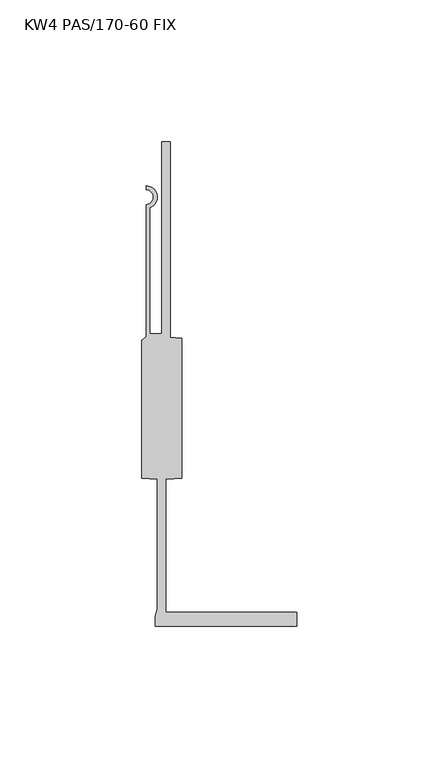
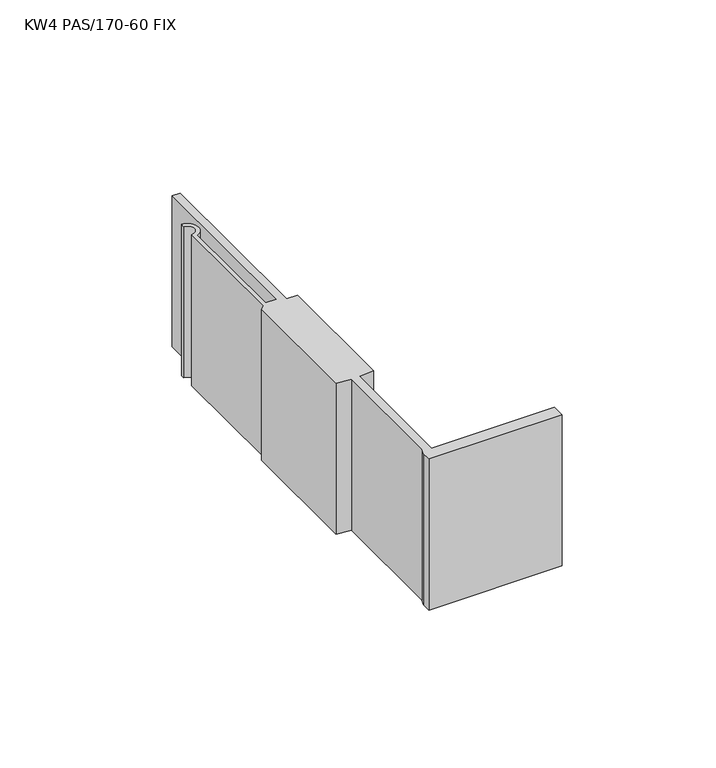
"""IFC4 building model written with IfcOpenShell, lengths in millimetres: proxy geometry, KW4 PAS/170-60 FIX."""

from ifc_helpers import new_model, si_unit, point, frame, frame_2d, origin, place, context, project, spatial, polyline, circle_curve, trimmed, segment, composite_curve, outline, extrude, source, transform, mapped, element, save


def kw4_pas_170_60_fix_f1b11f9d(model_context):
    return source(origin(), model_context, "Body", "SweptSolid", [
        extrude(outline(composite_curve([segment(polyline([(3.0, -48.0081991), (7.0334495, -48.3114757), (7.0334495, -97.689511), (1.5, -98.1055731), (1.5, -145.0000056), (47.75, -145.0000056), (47.75, -150.0), (-2.2499897, -150.0), (-2.25, -146.5000056), (-1.5, -144.0001254), (-1.5, -98.1055731), (-7.0334495, -97.689511), (-7.0334495, -49.1412371), (-5.5099585, -47.8628764), (-5.5099585, -1.1822471)]), True, "CONTINUOUS"), segment(trimmed(circle_curve(frame_2d((-5.5099585, 1.4180892)), 2.6003364), [point((-5.5099585, -1.1822471))], [point((-5.5099585, 4.0184256))], True, "CARTESIAN"), True, "CONTINUOUS"), segment(polyline([(-5.5099585, 4.0184256), (-5.5099585, 5.416057)]), True, "CONTINUOUS"), segment(trimmed(circle_curve(frame_2d((-5.5069152, 1.4180892)), 3.9979689), [point((-5.5099585, 5.416057))], [point((-4.1099585, -2.3278775))], False, "CARTESIAN"), True, "CONTINUOUS"), segment(polyline([(-4.1099585, -2.3278775), (-4.1099585, -46.8000056), (0.0, -46.8000056), (0.0, 21.0), (3.0, 21.0), (3.0, -48.0081991)]), True, "CONTINUOUS")], self_intersect=False)), frame((0.0, 0.0, -30.0), z_axis=(0.0, 0.0, 1.0), x_axis=(1.0, 0.0, 0.0)), (0.0, 0.0, 1.0), 60.0),
    ])


if __name__ == "__main__":
    model = new_model("IFC4")
    model_context = context("Model", 3, world=origin())
    ifc_project = project(units=[si_unit("LENGTHUNIT", "METRE", prefix="MILLI")], contexts=[model_context])
    site = spatial("IfcSite", under=ifc_project)
    building = spatial("IfcBuilding", under=site)
    placement = place(None, origin())
    kw4_pas_170_60_fix_shape = kw4_pas_170_60_fix_f1b11f9d(model_context)
    element("IfcBuildingElementProxy", 1, Name="KW4 PAS/170-60 FIX", ObjectType="KW4 PAS/170-60 FIX", at=placement, inside=building, context=model_context, shape_type="MappedRepresentation", body=[
        mapped(kw4_pas_170_60_fix_shape, transform((0.0, 0.0, 0.0), x_axis=(1.0, 0.0, 0.0), y_axis=(0.0, 1.0, 0.0), z_axis=(0.0, 0.0, 1.0))),
    ])
    save(model, "model.ifc")
